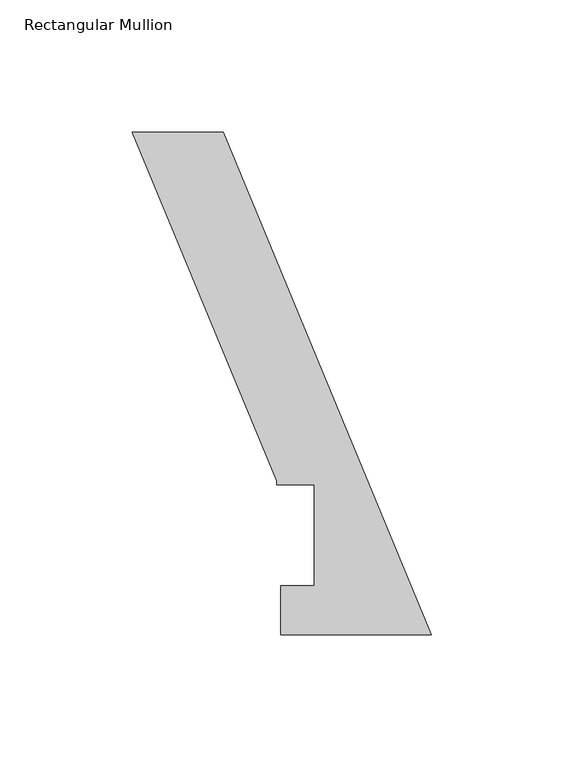
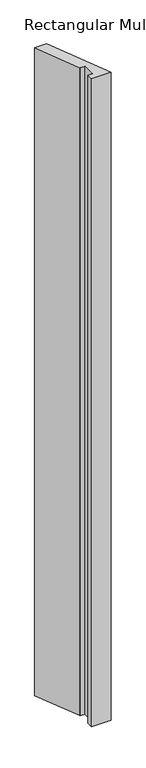
"""IFC4 building model written with IfcOpenShell, lengths in millimetres: member geometry, Rectangular Mullion."""

from ifc_helpers import new_model, si_unit, frame, origin, place, context, project, spatial, polyline, outline, extrude, source, transform, mapped, element, save


def rectangular_mullion_237a29fe(model_context):
    return source(origin(), model_context, "Body", "SweptSolid", [
        extrude(outline(polyline([(-113.0737365, 190.0039062), (-78.7077842, 190.0039062), (0.0, -0.0134937), (-56.8712246, -0.0134937), (-56.8712246, 18.5539063), (-44.1712246, 18.5539063), (-44.1712246, 56.6539063), (-58.5222246, 56.6539063), (-58.5222246, 58.3049062), (-113.0737365, 190.0039062)])), frame((0.0, 0.0, -1993.9), z_axis=(0.0, 0.0, 1.0), x_axis=(1.0, 0.0, 0.0)), (0.0, 0.0, 1.0), 1993.9),
    ])


if __name__ == "__main__":
    model = new_model("IFC4")
    model_context = context("Model", 3, world=origin())
    ifc_project = project(units=[si_unit("LENGTHUNIT", "METRE", prefix="MILLI")], contexts=[model_context])
    site = spatial("IfcSite", under=ifc_project)
    building = spatial("IfcBuilding", under=site)
    placement = place(None, origin())
    rectangular_mullion_shape = rectangular_mullion_237a29fe(model_context)
    element("IfcMember", 1, ObjectType="Rectangular Mullion", at=placement, inside=building, context=model_context, shape_type="MappedRepresentation", body=[
        mapped(rectangular_mullion_shape, transform((0.0, 0.0, 0.0), x_axis=(1.0, 0.0, 0.0), y_axis=(0.0, 1.0, 0.0), z_axis=(0.0, 0.0, 1.0))),
    ])
    save(model, "model.ifc")
